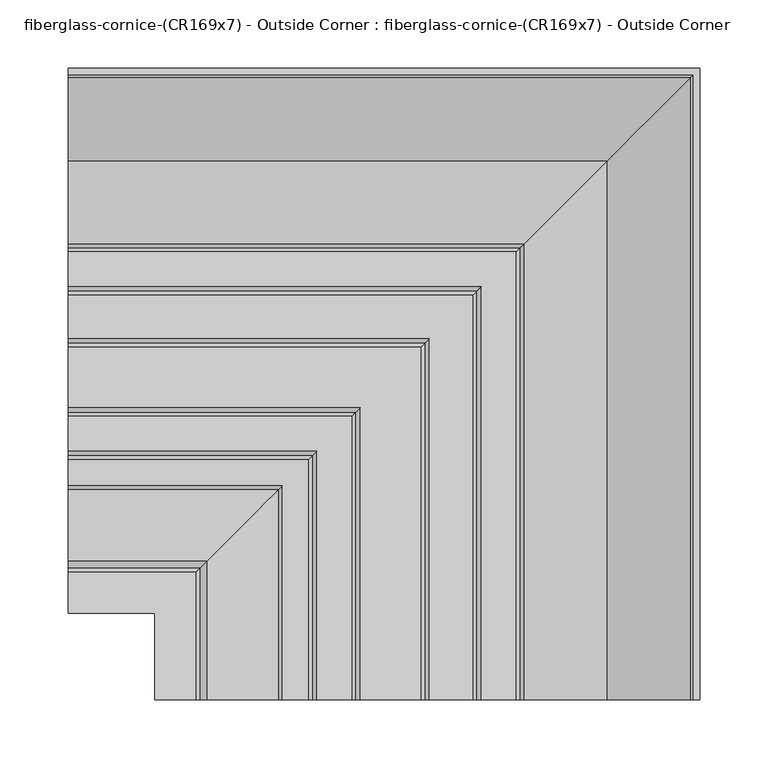
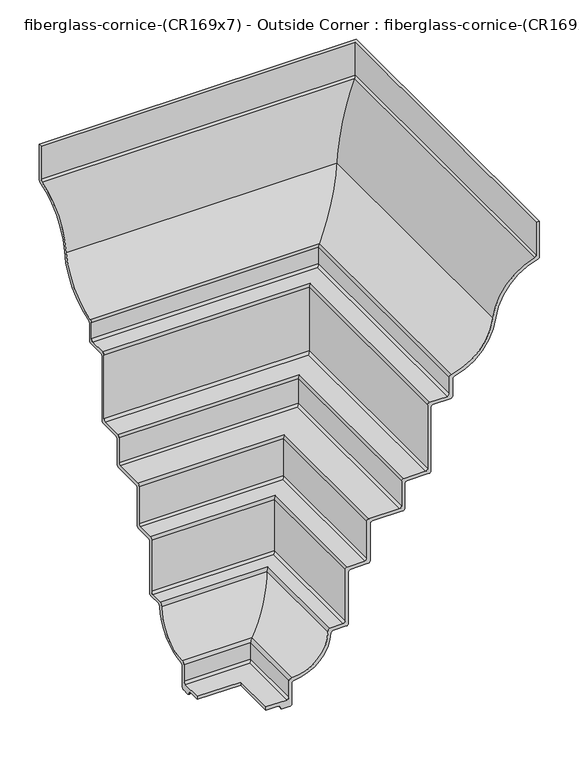
"""IFC4 building model written with IfcOpenShell, lengths in millimetres: furniture geometry, fiberglass-cornice-(CR169x7) - Outside Corner : fiberglass-cornice-(CR169x7) - Outside Corner."""

from ifc_helpers import new_model, si_unit, frame, origin, place, context, project, spatial, polyline, circle_curve, ellipse_curve, source, transform, mapped, element, save
from ifc_brep_helpers import plane_surface, cylinder_surface, revolved_surface, advanced_brep


def fiberglass_cornice_cr169x7_outside_corner_fiberglass_cornice_f5cb20c6(model_context):
    return source(origin(), model_context, "Body", "AdvancedBrep", [
        advanced_brep(
        [(-196.9488213, 496.8875, 330.1999904), (-196.9488213, 501.65, 330.1999904), (-196.9488213, 501.65, 275.5435529), (-196.9488213, 499.2726848, 272.470391), (-196.9488213, 438.15, 203.1999904), (-196.9488213, 377.0273152, 133.9295898), (-196.9488213, 374.65, 130.8564279), (-196.9488213, 374.65, 104.7749904), (-196.9488213, 371.475, 101.5999904), (-196.9488213, 346.075, 101.5999904), (-196.9488213, 342.9, 98.4249904), (-196.9488213, 342.9, -9.6e-06), (-196.9488213, 339.725, -3.1750096), (-196.9488213, 307.975, -3.1750096), (-196.9488213, 304.8, -6.3500096), (-196.9488213, 304.8, -44.4500096), (-196.9488213, 301.625, -47.6250096), (-196.9488213, 257.175, -47.6250096), (-196.9488213, 254.0, -50.8000096), (-196.9488213, 254.0, -107.9500096), (-196.9488213, 250.825, -111.1250096), (-196.9488213, 225.425, -111.1250096), (-196.9488213, 222.25, -114.3000096), (-196.9488213, 222.25, -193.6750096), (-196.9488213, 219.075, -196.8500096), (-196.9488213, 199.9413894, -196.8500096), (-196.9488213, 196.779135, -199.695155), (-196.9488213, 142.7078947, -253.9207996), (-196.9488213, 139.7, -256.9286943), (-196.9488213, 139.7, -288.9250096), (-196.9488213, 136.525, -292.1000096), (-196.9488213, 125.7872579, -292.1000096), (-196.9488213, 122.9474516, -290.3449127), (-196.9488213, 121.5275484, -287.5051064), (-196.9488213, 118.6877421, -285.7500096), (-196.9488213, 101.6, -285.7500096), (-196.9488213, 101.6, -280.9875096), (-196.9488213, 131.7625, -280.9875096), (-196.9488213, 134.9375, -277.8125096), (-196.9488213, 134.9375, -252.4125096), (-196.9488213, 139.7, -249.2375096), (-196.9488213, 192.0875, -196.8500096), (-196.9488213, 195.2625, -192.0875096), (-196.9488213, 214.3125, -192.0875096), (-196.9488213, 217.4875, -188.9125096), (-196.9488213, 217.4875, -109.5375096), (-196.9488213, 220.6625, -106.3625096), (-196.9488213, 246.0625, -106.3625096), (-196.9488213, 249.2375, -103.1875096), (-196.9488213, 249.2375, -46.0375096), (-196.9488213, 252.4125, -42.8625096), (-196.9488213, 296.8625, -42.8625096), (-196.9488213, 300.0375, -39.6875096), (-196.9488213, 300.0375, -1.5875096), (-196.9488213, 303.2125, 1.5874904), (-196.9488213, 334.9625, 1.5874904), (-196.9488213, 338.1375, 4.7624904), (-196.9488213, 338.1375, 103.1874904), (-196.9488213, 341.3125, 106.3624904), (-196.9488213, 366.7125, 106.3624904), (-196.9488213, 369.8875, 109.5374904), (-196.9488213, 369.8875, 134.6262047), (-196.9488213, 372.4046573, 137.7323065), (-196.9488213, 433.4271641, 203.813364), (-196.9488213, 494.6353066, 276.1114119), (-196.9488213, 496.8875, 279.1493475), (261.9378974, 38.0007813, 330.1999904), (261.9378974, 38.0007813, 279.1493475), (259.685704, 38.0007813, 276.1114119), (198.4775615, 38.0007813, 203.813364), (137.4550547, 38.0007813, 137.7323065), (134.9378974, 38.0007813, 134.6262047), (134.9378974, 38.0007813, 109.5374904), (131.7628974, 38.0007813, 106.3624904), (106.3628974, 38.0007813, 106.3624904), (103.1878974, 38.0007813, 103.1874904), (103.1878974, 38.0007813, 4.7624904), (100.0128974, 38.0007813, 1.5874904), (68.2628974, 38.0007813, 1.5874904), (65.0878974, 38.0007813, -1.5875096), (65.0878974, 38.0007813, -39.6875096), (61.9128974, 38.0007813, -42.8625096), (17.4628974, 38.0007813, -42.8625096), (14.2878974, 38.0007813, -46.0375096), (14.2878974, 38.0007813, -103.1875096), (11.1128974, 38.0007813, -106.3625096), (-14.2871026, 38.0007813, -106.3625096), (-17.4621026, 38.0007813, -109.5375096), (-17.4621026, 38.0007813, -188.9125096), (-20.6371026, 38.0007813, -192.0875096), (-39.6871026, 38.0007813, -192.0875096), (-42.8621026, 38.0007813, -196.8500096), (-95.2496026, 38.0007813, -249.2375096), (-100.0121026, 38.0007813, -252.4125096), (-100.0121026, 38.0007813, -277.8125096), (-103.1871026, 38.0007813, -280.9875096), (-133.3496026, 38.0007813, -280.9875096), (-133.3496026, 38.0007813, -285.7500096), (-116.2618605, 38.0007813, -285.7500096), (-113.4220542, 38.0007813, -287.5051064), (-112.002151, 38.0007813, -290.3449127), (-109.1623447, 38.0007813, -292.1000096), (-98.4246026, 38.0007813, -292.1000096), (-95.2496026, 38.0007813, -288.9250096), (-95.2496026, 38.0007813, -256.9286943), (-92.2417079, 38.0007813, -253.9207996), (-38.1704676, 38.0007813, -199.695155), (-35.0082132, 38.0007813, -196.8500096), (-15.8746026, 38.0007813, -196.8500096), (-12.6996026, 38.0007813, -193.6750096), (-12.6996026, 38.0007813, -114.3000096), (-9.5246026, 38.0007813, -111.1250096), (15.8753974, 38.0007813, -111.1250096), (19.0503974, 38.0007813, -107.9500096), (19.0503974, 38.0007813, -50.8000096), (22.2253974, 38.0007813, -47.6250096), (66.6753974, 38.0007813, -47.6250096), (69.8503974, 38.0007813, -44.4500096), (69.8503974, 38.0007813, -6.3500096), (73.0253974, 38.0007813, -3.1750096), (104.7753974, 38.0007813, -3.1750096), (107.9503974, 38.0007813, -9.6e-06), (107.9503974, 38.0007813, 98.4249904), (111.1253974, 38.0007813, 101.5999904), (136.5253974, 38.0007813, 101.5999904), (139.7003974, 38.0007813, 104.7749904), (139.7003974, 38.0007813, 130.8564279), (142.0777126, 38.0007813, 133.9295898), (203.2003974, 38.0007813, 203.1999904), (264.3230822, 38.0007813, 272.470391), (266.7003974, 38.0007813, 275.5435529), (266.7003974, 38.0007813, 330.1999904), (261.9378974, 496.8875, 330.1999904), (266.7003974, 501.65, 330.1999904), (266.7003974, 501.65, 275.5435529), (264.3230822, 499.2726848, 272.470391), (203.2003974, 438.15, 203.1999904), (142.0777126, 377.0273152, 133.9295898), (139.7003974, 374.65, 130.8564279), (139.7003974, 374.65, 104.7749904), (136.5253974, 371.475, 101.5999904), (111.1253974, 346.075, 101.5999904), (107.9503974, 342.9, 98.4249904), (107.9503974, 342.9, -9.6e-06), (104.7753974, 339.725, -3.1750096), (73.0253974, 307.975, -3.1750096), (69.8503974, 304.8, -6.3500096), (69.8503974, 304.8, -44.4500096), (66.6753974, 301.625, -47.6250096), (22.2253974, 257.175, -47.6250096), (19.0503974, 254.0, -50.8000096), (19.0503974, 254.0, -107.9500096), (15.8753974, 250.825, -111.1250096), (-9.5246026, 225.425, -111.1250096), (-12.6996026, 222.25, -114.3000096), (-12.6996026, 222.25, -193.6750096), (-15.8746026, 219.075, -196.8500096), (-35.0082132, 199.9413894, -196.8500096), (-38.1704676, 196.779135, -199.695155), (-92.2417079, 142.7078947, -253.9207996), (-95.2496026, 139.7, -256.9286943), (-95.2496026, 139.7, -288.9250096), (-98.4246026, 136.525, -292.1000096), (-109.1623447, 125.7872579, -292.1000096), (-112.002151, 122.9474516, -290.3449127), (-113.4220542, 121.5275484, -287.5051064), (-116.2618605, 118.6877421, -285.7500096), (-133.3496026, 101.6, -285.7500096), (-133.3496026, 101.6, -280.9875096), (-103.1871026, 131.7625, -280.9875096), (-100.0121026, 134.9375, -277.8125096), (-100.0121026, 134.9375, -252.4125096), (-95.2496026, 139.7, -249.2375096), (-42.8621026, 192.0875, -196.8500096), (-39.6871026, 195.2625, -192.0875096), (-20.6371026, 214.3125, -192.0875096), (-17.4621026, 217.4875, -188.9125096), (-17.4621026, 217.4875, -109.5375096), (-14.2871026, 220.6625, -106.3625096), (11.1128974, 246.0625, -106.3625096), (14.2878974, 249.2375, -103.1875096), (14.2878974, 249.2375, -46.0375096), (17.4628974, 252.4125, -42.8625096), (61.9128974, 296.8625, -42.8625096), (65.0878974, 300.0375, -39.6875096), (65.0878974, 300.0375, -1.5875096), (68.2628974, 303.2125, 1.5874904), (100.0128974, 334.9625, 1.5874904), (103.1878974, 338.1375, 4.7624904), (103.1878974, 338.1375, 103.1874904), (106.3628974, 341.3125, 106.3624904), (131.7628974, 366.7125, 106.3624904), (134.9378974, 369.8875, 109.5374904), (134.9378974, 369.8875, 134.6262047), (137.4550547, 372.4046573, 137.7323065), (198.4775615, 433.4271641, 203.813364), (259.685704, 494.6353066, 276.1114119), (261.9378974, 496.8875, 279.1493475)],
        [
            (0, 1),
            (1, 2),
            (2, 3, circle_curve(frame((-196.9488213, 498.475, 275.5435529), z_axis=(-1.0, 0.0, 0.0), x_axis=(0.0, 1.0, 0.0)), 3.175)),
            (3, 4, circle_curve(frame((-196.9488213, 520.0124893, 192.568182), z_axis=(1.0, 0.0, 0.0), x_axis=(0.0, 1.0, 0.0)), 82.55)),
            (4, 5, circle_curve(frame((-196.9488213, 356.2875107, 213.8317989), z_axis=(-1.0, 0.0, 0.0), x_axis=(0.0, 1.0, 0.0)), 82.55)),
            (5, 6, circle_curve(frame((-196.9488213, 377.825, 130.8564279), z_axis=(1.0, 0.0, 0.0), x_axis=(0.0, 1.0, 0.0)), 3.175)),
            (6, 7),
            (7, 8, circle_curve(frame((-196.9488213, 371.475, 104.7749904), z_axis=(-1.0, 0.0, 0.0), x_axis=(0.0, 1.0, 0.0)), 3.175)),
            (8, 9),
            (9, 10, circle_curve(frame((-196.9488213, 346.075, 98.4249904), z_axis=(1.0, 0.0, 0.0), x_axis=(0.0, 1.0, 0.0)), 3.175)),
            (10, 11),
            (11, 12, circle_curve(frame((-196.9488213, 339.725, -9.6e-06), z_axis=(-1.0, 0.0, 0.0), x_axis=(0.0, 1.0, 0.0)), 3.175)),
            (12, 13),
            (13, 14, circle_curve(frame((-196.9488213, 307.975, -6.3500096), z_axis=(1.0, 0.0, 0.0), x_axis=(0.0, 1.0, 0.0)), 3.175)),
            (14, 15),
            (15, 16, circle_curve(frame((-196.9488213, 301.625, -44.4500096), z_axis=(-1.0, 0.0, 0.0), x_axis=(0.0, 1.0, 0.0)), 3.175)),
            (16, 17),
            (17, 18, circle_curve(frame((-196.9488213, 257.175, -50.8000096), z_axis=(1.0, 0.0, 0.0), x_axis=(0.0, 1.0, 0.0)), 3.175)),
            (18, 19),
            (19, 20, circle_curve(frame((-196.9488213, 250.825, -107.9500096), z_axis=(-1.0, 0.0, 0.0), x_axis=(0.0, 1.0, 0.0)), 3.175)),
            (20, 21),
            (21, 22, circle_curve(frame((-196.9488213, 225.425, -114.3000096), z_axis=(1.0, 0.0, 0.0), x_axis=(0.0, 1.0, 0.0)), 3.175)),
            (22, 23),
            (23, 24, circle_curve(frame((-196.9488213, 219.075, -193.6750096), z_axis=(-1.0, 0.0, 0.0), x_axis=(0.0, 1.0, 0.0)), 3.175)),
            (24, 25),
            (25, 26, circle_curve(frame((-196.9488213, 199.9413894, -200.0299359), z_axis=(1.0, 0.0, 0.0), x_axis=(0.0, 1.0, 0.0)), 3.1799263)),
            (26, 27, circle_curve(frame((-196.9488213, 139.7, -196.8500096), z_axis=(-1.0, 0.0, 0.0), x_axis=(0.0, 1.0, 0.0)), 57.15)),
            (27, 28, circle_curve(frame((-196.9488213, 142.7078947, -256.9286943), z_axis=(1.0, 0.0, 0.0), x_axis=(0.0, 1.0, 0.0)), 3.0078947)),
            (28, 29),
            (29, 30, circle_curve(frame((-196.9488213, 136.525, -288.9250096), z_axis=(-1.0, 0.0, 0.0), x_axis=(0.0, 1.0, 0.0)), 3.175)),
            (30, 31),
            (31, 32, circle_curve(frame((-196.9488213, 125.7872579, -288.9250096), z_axis=(-1.0, 0.0, 0.0), x_axis=(0.0, 1.0, 0.0)), 3.175)),
            (32, 33),
            (33, 34, circle_curve(frame((-196.9488213, 118.6877421, -288.9250096), z_axis=(1.0, 0.0, 0.0), x_axis=(0.0, 1.0, 0.0)), 3.175)),
            (34, 35),
            (35, 36),
            (36, 37),
            (37, 38, circle_curve(frame((-196.9488213, 131.7625, -277.8125096), z_axis=(1.0, 0.0, 0.0), x_axis=(0.0, 1.0, 0.0)), 3.175)),
            (38, 39),
            (39, 40, circle_curve(frame((-196.9488213, 139.7, -254.3968846), z_axis=(-1.0, 0.0, 0.0), x_axis=(0.0, 1.0, 0.0)), 5.159375)),
            (40, 41, circle_curve(frame((-196.9488213, 139.7, -196.8500096), z_axis=(1.0, 0.0, 0.0), x_axis=(0.0, 1.0, 0.0)), 52.3875)),
            (41, 42, circle_curve(frame((-196.9488213, 197.246875, -196.8500096), z_axis=(-1.0, 0.0, 0.0), x_axis=(0.0, 1.0, 0.0)), 5.159375)),
            (42, 43),
            (43, 44, circle_curve(frame((-196.9488213, 214.3125, -188.9125096), z_axis=(1.0, 0.0, 0.0), x_axis=(0.0, 1.0, 0.0)), 3.175)),
            (44, 45),
            (45, 46, circle_curve(frame((-196.9488213, 220.6625, -109.5375096), z_axis=(-1.0, 0.0, 0.0), x_axis=(0.0, 1.0, 0.0)), 3.175)),
            (46, 47),
            (47, 48, circle_curve(frame((-196.9488213, 246.0625, -103.1875096), z_axis=(1.0, 0.0, 0.0), x_axis=(0.0, 1.0, 0.0)), 3.175)),
            (48, 49),
            (49, 50, circle_curve(frame((-196.9488213, 252.4125, -46.0375096), z_axis=(-1.0, 0.0, 0.0), x_axis=(0.0, 1.0, 0.0)), 3.175)),
            (50, 51),
            (51, 52, circle_curve(frame((-196.9488213, 296.8625, -39.6875096), z_axis=(1.0, 0.0, 0.0), x_axis=(0.0, 1.0, 0.0)), 3.175)),
            (52, 53),
            (53, 54, circle_curve(frame((-196.9488213, 303.2125, -1.5875096), z_axis=(-1.0, 0.0, 0.0), x_axis=(0.0, 1.0, 0.0)), 3.175)),
            (54, 55),
            (55, 56, circle_curve(frame((-196.9488213, 334.9625, 4.7624904), z_axis=(1.0, 0.0, 0.0), x_axis=(0.0, 1.0, 0.0)), 3.175)),
            (56, 57),
            (57, 58, circle_curve(frame((-196.9488213, 341.3125, 103.1874904), z_axis=(-1.0, 0.0, 0.0), x_axis=(0.0, 1.0, 0.0)), 3.175)),
            (58, 59),
            (59, 60, circle_curve(frame((-196.9488213, 366.7125, 109.5374904), z_axis=(1.0, 0.0, 0.0), x_axis=(0.0, 1.0, 0.0)), 3.175)),
            (60, 61),
            (61, 62, circle_curve(frame((-196.9488213, 373.0625, 134.6262047), z_axis=(-1.0, 0.0, 0.0), x_axis=(0.0, 1.0, 0.0)), 3.175)),
            (62, 63, circle_curve(frame((-196.9488213, 356.2875107, 213.8317989), z_axis=(1.0, 0.0, 0.0), x_axis=(0.0, 1.0, 0.0)), 77.7875)),
            (63, 64, circle_curve(frame((-196.9488213, 520.0124893, 192.568182), z_axis=(-1.0, 0.0, 0.0), x_axis=(0.0, 1.0, 0.0)), 87.3125)),
            (64, 65, circle_curve(frame((-196.9488213, 493.7125, 279.1493475), z_axis=(1.0, 0.0, 0.0), x_axis=(0.0, 1.0, 0.0)), 3.175)),
            (65, 0),
            (66, 67),
            (67, 68, circle_curve(frame((258.7628974, 38.0007813, 279.1493475), z_axis=(0.0, 1.0, 0.0), x_axis=(1.0, 0.0, 0.0)), 3.175)),
            (68, 69, circle_curve(frame((285.0628867, 38.0007813, 192.568182), z_axis=(0.0, -1.0, 0.0), x_axis=(1.0, 0.0, 0.0)), 87.3125)),
            (69, 70, circle_curve(frame((121.3379081, 38.0007813, 213.8317989), z_axis=(0.0, 1.0, 0.0), x_axis=(1.0, 0.0, 0.0)), 77.7875)),
            (70, 71, circle_curve(frame((138.1128974, 38.0007813, 134.6262047), z_axis=(0.0, -1.0, 0.0), x_axis=(1.0, 0.0, 0.0)), 3.175)),
            (71, 72),
            (72, 73, circle_curve(frame((131.7628974, 38.0007813, 109.5374904), z_axis=(0.0, 1.0, 0.0), x_axis=(1.0, 0.0, 0.0)), 3.175)),
            (73, 74),
            (74, 75, circle_curve(frame((106.3628974, 38.0007813, 103.1874904), z_axis=(0.0, -1.0, 0.0), x_axis=(1.0, 0.0, 0.0)), 3.175)),
            (75, 76),
            (76, 77, circle_curve(frame((100.0128974, 38.0007813, 4.7624904), z_axis=(0.0, 1.0, 0.0), x_axis=(1.0, 0.0, 0.0)), 3.175)),
            (77, 78),
            (78, 79, circle_curve(frame((68.2628974, 38.0007813, -1.5875096), z_axis=(0.0, -1.0, 0.0), x_axis=(1.0, 0.0, 0.0)), 3.175)),
            (79, 80),
            (80, 81, circle_curve(frame((61.9128974, 38.0007813, -39.6875096), z_axis=(0.0, 1.0, 0.0), x_axis=(1.0, 0.0, 0.0)), 3.175)),
            (81, 82),
            (82, 83, circle_curve(frame((17.4628974, 38.0007813, -46.0375096), z_axis=(0.0, -1.0, 0.0), x_axis=(1.0, 0.0, 0.0)), 3.175)),
            (83, 84),
            (84, 85, circle_curve(frame((11.1128974, 38.0007813, -103.1875096), z_axis=(0.0, 1.0, 0.0), x_axis=(1.0, 0.0, 0.0)), 3.175)),
            (85, 86),
            (86, 87, circle_curve(frame((-14.2871026, 38.0007813, -109.5375096), z_axis=(0.0, -1.0, 0.0), x_axis=(1.0, 0.0, 0.0)), 3.175)),
            (87, 88),
            (88, 89, circle_curve(frame((-20.6371026, 38.0007813, -188.9125096), z_axis=(0.0, 1.0, 0.0), x_axis=(1.0, 0.0, 0.0)), 3.175)),
            (89, 90),
            (90, 91, circle_curve(frame((-37.7027276, 38.0007813, -196.8500096), z_axis=(0.0, -1.0, 0.0), x_axis=(1.0, 0.0, 0.0)), 5.159375)),
            (91, 92, circle_curve(frame((-95.2496026, 38.0007813, -196.8500096), z_axis=(0.0, 1.0, 0.0), x_axis=(1.0, 0.0, 0.0)), 52.3875)),
            (92, 93, circle_curve(frame((-95.2496026, 38.0007813, -254.3968846), z_axis=(0.0, -1.0, 0.0), x_axis=(1.0, 0.0, 0.0)), 5.159375)),
            (93, 94),
            (94, 95, circle_curve(frame((-103.1871026, 38.0007813, -277.8125096), z_axis=(0.0, 1.0, 0.0), x_axis=(1.0, 0.0, 0.0)), 3.175)),
            (95, 96),
            (96, 97),
            (97, 98),
            (98, 99, circle_curve(frame((-116.2618605, 38.0007813, -288.9250096), z_axis=(0.0, 1.0, 0.0), x_axis=(1.0, 0.0, 0.0)), 3.175)),
            (99, 100),
            (100, 101, circle_curve(frame((-109.1623447, 38.0007813, -288.9250096), z_axis=(0.0, -1.0, 0.0), x_axis=(1.0, 0.0, 0.0)), 3.175)),
            (101, 102),
            (102, 103, circle_curve(frame((-98.4246026, 38.0007813, -288.9250096), z_axis=(0.0, -1.0, 0.0), x_axis=(1.0, 0.0, 0.0)), 3.175)),
            (103, 104),
            (104, 105, circle_curve(frame((-92.2417079, 38.0007813, -256.9286943), z_axis=(0.0, 1.0, 0.0), x_axis=(1.0, 0.0, 0.0)), 3.0078947)),
            (105, 106, circle_curve(frame((-95.2496026, 38.0007813, -196.8500096), z_axis=(0.0, -1.0, 0.0), x_axis=(1.0, 0.0, 0.0)), 57.15)),
            (106, 107, circle_curve(frame((-35.0082132, 38.0007813, -200.0299359), z_axis=(0.0, 1.0, 0.0), x_axis=(1.0, 0.0, 0.0)), 3.1799263)),
            (107, 108),
            (108, 109, circle_curve(frame((-15.8746026, 38.0007813, -193.6750096), z_axis=(0.0, -1.0, 0.0), x_axis=(1.0, 0.0, 0.0)), 3.175)),
            (109, 110),
            (110, 111, circle_curve(frame((-9.5246026, 38.0007813, -114.3000096), z_axis=(0.0, 1.0, 0.0), x_axis=(1.0, 0.0, 0.0)), 3.175)),
            (111, 112),
            (112, 113, circle_curve(frame((15.8753974, 38.0007813, -107.9500096), z_axis=(0.0, -1.0, 0.0), x_axis=(1.0, 0.0, 0.0)), 3.175)),
            (113, 114),
            (114, 115, circle_curve(frame((22.2253974, 38.0007813, -50.8000096), z_axis=(0.0, 1.0, 0.0), x_axis=(1.0, 0.0, 0.0)), 3.175)),
            (115, 116),
            (116, 117, circle_curve(frame((66.6753974, 38.0007813, -44.4500096), z_axis=(0.0, -1.0, 0.0), x_axis=(1.0, 0.0, 0.0)), 3.175)),
            (117, 118),
            (118, 119, circle_curve(frame((73.0253974, 38.0007813, -6.3500096), z_axis=(0.0, 1.0, 0.0), x_axis=(1.0, 0.0, 0.0)), 3.175)),
            (119, 120),
            (120, 121, circle_curve(frame((104.7753974, 38.0007813, -9.6e-06), z_axis=(0.0, -1.0, 0.0), x_axis=(1.0, 0.0, 0.0)), 3.175)),
            (121, 122),
            (122, 123, circle_curve(frame((111.1253974, 38.0007813, 98.4249904), z_axis=(0.0, 1.0, 0.0), x_axis=(1.0, 0.0, 0.0)), 3.175)),
            (123, 124),
            (124, 125, circle_curve(frame((136.5253974, 38.0007813, 104.7749904), z_axis=(0.0, -1.0, 0.0), x_axis=(1.0, 0.0, 0.0)), 3.175)),
            (125, 126),
            (126, 127, circle_curve(frame((142.8753974, 38.0007813, 130.8564279), z_axis=(0.0, 1.0, 0.0), x_axis=(1.0, 0.0, 0.0)), 3.175)),
            (127, 128, circle_curve(frame((121.3379081, 38.0007813, 213.8317989), z_axis=(0.0, -1.0, 0.0), x_axis=(1.0, 0.0, 0.0)), 82.55)),
            (128, 129, circle_curve(frame((285.0628867, 38.0007813, 192.568182), z_axis=(0.0, 1.0, 0.0), x_axis=(1.0, 0.0, 0.0)), 82.55)),
            (129, 130, circle_curve(frame((263.5253974, 38.0007813, 275.5435529), z_axis=(0.0, -1.0, 0.0), x_axis=(1.0, 0.0, 0.0)), 3.175)),
            (130, 131),
            (131, 66),
            (0, 132),
            (132, 66),
            (131, 133),
            (133, 1),
            (133, 134),
            (134, 2),
            (134, 135, ellipse_curve(frame((263.5253974, 498.475, 275.5435529), z_axis=(-0.7071067811865563, 0.7071067811865387, 0.0), x_axis=(-0.7071067811865387, -0.7071067811865565, 0.0)), 4.4901281, 3.175)),
            (135, 3),
            (135, 136, ellipse_curve(frame((285.0628867, 520.0124893, 192.568182), z_axis=(0.7071067811865563, -0.7071067811865387, 0.0), x_axis=(0.7071067811865387, 0.7071067811865565, 0.0)), 116.7433296, 82.55)),
            (136, 4),
            (136, 137, ellipse_curve(frame((121.3379081, 356.2875107, 213.8317989), z_axis=(-0.7071067811865563, 0.7071067811865387, 0.0), x_axis=(-0.7071067811865387, -0.7071067811865565, 0.0)), 116.7433296, 82.55)),
            (137, 5),
            (137, 138, ellipse_curve(frame((142.8753974, 377.825, 130.8564279), z_axis=(0.7071067811865563, -0.7071067811865387, 0.0), x_axis=(0.7071067811865387, 0.7071067811865565, 0.0)), 4.4901281, 3.175)),
            (138, 6),
            (138, 139),
            (139, 7),
            (139, 140, ellipse_curve(frame((136.5253974, 371.475, 104.7749904), z_axis=(-0.7071067811865563, 0.7071067811865387, 0.0), x_axis=(-0.7071067811865387, -0.7071067811865565, 0.0)), 4.4901281, 3.175)),
            (140, 8),
            (140, 124),
            (123, 141),
            (141, 9),
            (141, 142, ellipse_curve(frame((111.1253974, 346.075, 98.4249904), z_axis=(0.7071067811865563, -0.7071067811865387, 0.0), x_axis=(0.7071067811865387, 0.7071067811865565, 0.0)), 4.4901281, 3.175)),
            (142, 10),
            (142, 143),
            (143, 11),
            (143, 144, ellipse_curve(frame((104.7753974, 339.725, -9.6e-06), z_axis=(-0.7071067811865563, 0.7071067811865387, 0.0), x_axis=(-0.7071067811865387, -0.7071067811865565, 0.0)), 4.4901281, 3.175)),
            (144, 12),
            (144, 120),
            (119, 145),
            (145, 13),
            (145, 146, ellipse_curve(frame((73.0253974, 307.975, -6.3500096), z_axis=(0.7071067811865563, -0.7071067811865387, 0.0), x_axis=(0.7071067811865387, 0.7071067811865565, 0.0)), 4.4901281, 3.175)),
            (146, 14),
            (146, 147),
            (147, 15),
            (147, 148, ellipse_curve(frame((66.6753974, 301.625, -44.4500096), z_axis=(-0.7071067811865563, 0.7071067811865387, 0.0), x_axis=(-0.7071067811865387, -0.7071067811865565, 0.0)), 4.4901281, 3.175)),
            (148, 16),
            (148, 116),
            (115, 149),
            (149, 17),
            (149, 150, ellipse_curve(frame((22.2253974, 257.175, -50.8000096), z_axis=(0.7071067811865563, -0.7071067811865387, 0.0), x_axis=(0.7071067811865387, 0.7071067811865565, 0.0)), 4.4901281, 3.175)),
            (150, 18),
            (150, 151),
            (151, 19),
            (151, 152, ellipse_curve(frame((15.8753974, 250.825, -107.9500096), z_axis=(-0.7071067811865563, 0.7071067811865387, 0.0), x_axis=(-0.7071067811865387, -0.7071067811865565, 0.0)), 4.4901281, 3.175)),
            (152, 20),
            (152, 112),
            (111, 153),
            (153, 21),
            (153, 154, ellipse_curve(frame((-9.5246026, 225.425, -114.3000096), z_axis=(0.7071067811865563, -0.7071067811865387, 0.0), x_axis=(0.7071067811865387, 0.7071067811865565, 0.0)), 4.4901281, 3.175)),
            (154, 22),
            (154, 155),
            (155, 23),
            (155, 156, ellipse_curve(frame((-15.8746026, 219.075, -193.6750096), z_axis=(-0.7071067811865563, 0.7071067811865387, 0.0), x_axis=(-0.7071067811865387, -0.7071067811865565, 0.0)), 4.4901281, 3.175)),
            (156, 24),
            (156, 108),
            (107, 157),
            (157, 25),
            (157, 158, ellipse_curve(frame((-35.0082132, 199.9413894, -200.0299359), z_axis=(0.7071067811865563, -0.7071067811865387, 0.0), x_axis=(0.7071067811865387, 0.7071067811865565, 0.0)), 4.497095, 3.1799263)),
            (158, 26),
            (158, 159, ellipse_curve(frame((-95.2496026, 139.7, -196.8500096), z_axis=(-0.7071067811865563, 0.7071067811865387, 0.0), x_axis=(-0.7071067811865387, -0.7071067811865565, 0.0)), 80.8223051, 57.15)),
            (159, 27),
            (159, 160, ellipse_curve(frame((-92.2417079, 142.7078947, -256.9286943), z_axis=(0.7071067811865563, -0.7071067811865387, 0.0), x_axis=(0.7071067811865387, 0.7071067811865565, 0.0)), 4.2538055, 3.0078947)),
            (160, 28),
            (160, 161),
            (161, 29),
            (161, 162, ellipse_curve(frame((-98.4246026, 136.525, -288.9250096), z_axis=(-0.7071067811865563, 0.7071067811865387, 0.0), x_axis=(-0.7071067811865387, -0.7071067811865565, 0.0)), 4.4901281, 3.175)),
            (162, 30),
            (162, 102),
            (101, 163),
            (163, 31),
            (163, 164, ellipse_curve(frame((-109.1623447, 125.7872579, -288.9250096), z_axis=(-0.7071067811865563, 0.7071067811865387, 0.0), x_axis=(-0.7071067811865387, -0.7071067811865565, 0.0)), 4.4901281, 3.175)),
            (164, 32),
            (164, 165),
            (165, 33),
            (165, 166, ellipse_curve(frame((-116.2618605, 118.6877421, -288.9250096), z_axis=(0.7071067811865563, -0.7071067811865387, 0.0), x_axis=(0.7071067811865387, 0.7071067811865565, 0.0)), 4.4901281, 3.175)),
            (166, 34),
            (166, 98),
            (97, 167),
            (167, 35),
            (167, 168),
            (168, 36),
            (168, 96),
            (95, 169),
            (169, 37),
            (169, 170, ellipse_curve(frame((-103.1871026, 131.7625, -277.8125096), z_axis=(0.7071067811865563, -0.7071067811865387, 0.0), x_axis=(0.7071067811865387, 0.7071067811865565, 0.0)), 4.4901281, 3.175)),
            (170, 38),
            (170, 171),
            (171, 39),
            (171, 172, ellipse_curve(frame((-95.2496026, 139.7, -254.3968846), z_axis=(-0.7071067811865563, 0.7071067811865387, 0.0), x_axis=(-0.7071067811865387, -0.7071067811865565, 0.0)), 7.2964581, 5.159375)),
            (172, 40),
            (172, 173, ellipse_curve(frame((-95.2496026, 139.7, -196.8500096), z_axis=(0.7071067811865563, -0.7071067811865387, 0.0), x_axis=(0.7071067811865387, 0.7071067811865565, 0.0)), 74.087113, 52.3875)),
            (173, 41),
            (173, 174, ellipse_curve(frame((-37.7027276, 197.246875, -196.8500096), z_axis=(-0.7071067811865563, 0.7071067811865387, 0.0), x_axis=(-0.7071067811865387, -0.7071067811865565, 0.0)), 7.2964581, 5.159375)),
            (174, 42),
            (174, 90),
            (89, 175),
            (175, 43),
            (175, 176, ellipse_curve(frame((-20.6371026, 214.3125, -188.9125096), z_axis=(0.7071067811865563, -0.7071067811865387, 0.0), x_axis=(0.7071067811865387, 0.7071067811865565, 0.0)), 4.4901281, 3.175)),
            (176, 44),
            (176, 177),
            (177, 45),
            (177, 178, ellipse_curve(frame((-14.2871026, 220.6625, -109.5375096), z_axis=(-0.7071067811865563, 0.7071067811865387, 0.0), x_axis=(-0.7071067811865387, -0.7071067811865565, 0.0)), 4.4901281, 3.175)),
            (178, 46),
            (178, 86),
            (85, 179),
            (179, 47),
            (179, 180, ellipse_curve(frame((11.1128974, 246.0625, -103.1875096), z_axis=(0.7071067811865563, -0.7071067811865387, 0.0), x_axis=(0.7071067811865387, 0.7071067811865565, 0.0)), 4.4901281, 3.175)),
            (180, 48),
            (180, 181),
            (181, 49),
            (181, 182, ellipse_curve(frame((17.4628974, 252.4125, -46.0375096), z_axis=(-0.7071067811865563, 0.7071067811865387, 0.0), x_axis=(-0.7071067811865387, -0.7071067811865565, 0.0)), 4.4901281, 3.175)),
            (182, 50),
            (182, 82),
            (81, 183),
            (183, 51),
            (183, 184, ellipse_curve(frame((61.9128974, 296.8625, -39.6875096), z_axis=(0.7071067811865563, -0.7071067811865387, 0.0), x_axis=(0.7071067811865387, 0.7071067811865565, 0.0)), 4.4901281, 3.175)),
            (184, 52),
            (184, 185),
            (185, 53),
            (185, 186, ellipse_curve(frame((68.2628974, 303.2125, -1.5875096), z_axis=(-0.7071067811865563, 0.7071067811865387, 0.0), x_axis=(-0.7071067811865387, -0.7071067811865565, 0.0)), 4.4901281, 3.175)),
            (186, 54),
            (186, 78),
            (77, 187),
            (187, 55),
            (187, 188, ellipse_curve(frame((100.0128974, 334.9625, 4.7624904), z_axis=(0.7071067811865563, -0.7071067811865387, 0.0), x_axis=(0.7071067811865387, 0.7071067811865565, 0.0)), 4.4901281, 3.175)),
            (188, 56),
            (188, 189),
            (189, 57),
            (189, 190, ellipse_curve(frame((106.3628974, 341.3125, 103.1874904), z_axis=(-0.7071067811865563, 0.7071067811865387, 0.0), x_axis=(-0.7071067811865387, -0.7071067811865565, 0.0)), 4.4901281, 3.175)),
            (190, 58),
            (190, 74),
            (73, 191),
            (191, 59),
            (191, 192, ellipse_curve(frame((131.7628974, 366.7125, 109.5374904), z_axis=(0.7071067811865563, -0.7071067811865387, 0.0), x_axis=(0.7071067811865387, 0.7071067811865565, 0.0)), 4.4901281, 3.175)),
            (192, 60),
            (192, 193),
            (193, 61),
            (193, 194, ellipse_curve(frame((138.1128974, 373.0625, 134.6262047), z_axis=(-0.7071067811865563, 0.7071067811865387, 0.0), x_axis=(-0.7071067811865387, -0.7071067811865565, 0.0)), 4.4901281, 3.175)),
            (194, 62),
            (194, 195, ellipse_curve(frame((121.3379081, 356.2875107, 213.8317989), z_axis=(0.7071067811865563, -0.7071067811865387, 0.0), x_axis=(0.7071067811865387, 0.7071067811865565, 0.0)), 110.0081375, 77.7875)),
            (195, 63),
            (195, 196, ellipse_curve(frame((285.0628867, 520.0124893, 192.568182), z_axis=(-0.7071067811865563, 0.7071067811865387, 0.0), x_axis=(-0.7071067811865387, -0.7071067811865565, 0.0)), 123.4785217, 87.3125)),
            (196, 64),
            (196, 197, ellipse_curve(frame((258.7628974, 493.7125, 279.1493475), z_axis=(0.7071067811865563, -0.7071067811865387, 0.0), x_axis=(0.7071067811865387, 0.7071067811865565, 0.0)), 4.4901281, 3.175)),
            (197, 65),
            (197, 132),
            (130, 134),
            (129, 135),
            (128, 136),
            (127, 137),
            (126, 138),
            (125, 139),
            (122, 142),
            (121, 143),
            (118, 146),
            (117, 147),
            (114, 150),
            (113, 151),
            (110, 154),
            (109, 155),
            (106, 158),
            (105, 159),
            (104, 160),
            (103, 161),
            (100, 164),
            (99, 165),
            (94, 170),
            (93, 171),
            (92, 172),
            (91, 173),
            (88, 176),
            (87, 177),
            (84, 180),
            (83, 181),
            (80, 184),
            (79, 185),
            (76, 188),
            (75, 189),
            (72, 192),
            (71, 193),
            (70, 194),
            (69, 195),
            (68, 196),
            (67, 197),
        ],
        [
            plane_surface(frame((-196.9488213, 101.6, 330.1999904), z_axis=(-1.0, 0.0, 0.0), x_axis=(0.0, 0.0, 1.0))),
            plane_surface(frame((-133.3496026, 38.0007813, 330.1999904), z_axis=(0.0, -1.0, 0.0), x_axis=(0.0, 0.0, 1.0))),
            plane_surface(frame((-196.9488213, 496.8875, 330.1999904), z_axis=(0.0, 0.0, 1.0), x_axis=(1.0, 0.0, 0.0))),
            plane_surface(frame((-196.9488213, 501.65, 330.1999904), z_axis=(0.0, 1.0, 0.0), x_axis=(1.0, 0.0, 0.0))),
            cylinder_surface(frame((-196.9488213, 498.475, 275.5435529), z_axis=(-1.0, 0.0, 0.0), x_axis=(0.0, 1.0, 0.0)), 3.175),
            revolved_surface(polyline([(367.61288671845523, 602.5624892999999, 192.568182), (-196.9488213, 602.5624892999999, 192.568182)]), (-196.9488213, 520.0124893, 192.568182), (1.0, 0.0, 0.0)),
            cylinder_surface(frame((-196.9488213, 356.2875107, 213.8317989), z_axis=(-1.0, 0.0, 0.0), x_axis=(0.0, 1.0, 0.0)), 82.55),
            revolved_surface(polyline([(146.05039742790618, 381.0, 130.8564279), (-196.9488213, 381.0, 130.8564279)]), (-196.9488213, 377.825, 130.8564279), (1.0, 0.0, 0.0)),
            plane_surface(frame((-196.9488213, 374.65, 130.8564279), z_axis=(0.0, 1.0, 0.0), x_axis=(1.0, 0.0, 0.0))),
            cylinder_surface(frame((-196.9488213, 371.475, 104.7749904), z_axis=(-1.0, 0.0, 0.0), x_axis=(0.0, 1.0, 0.0)), 3.175),
            plane_surface(frame((-196.9488213, 371.475, 101.5999904), z_axis=(0.0, 0.0, -1.0), x_axis=(1.0, 0.0, 0.0))),
            revolved_surface(polyline([(114.30039742790618, 349.25, 98.4249904), (-196.9488213, 349.25, 98.4249904)]), (-196.9488213, 346.075, 98.4249904), (1.0, 0.0, 0.0)),
            plane_surface(frame((-196.9488213, 342.9, 98.4249904), z_axis=(0.0, 1.0, 0.0), x_axis=(1.0, 0.0, 0.0))),
            cylinder_surface(frame((-196.9488213, 339.725, -9.6e-06), z_axis=(-1.0, 0.0, 0.0), x_axis=(0.0, 1.0, 0.0)), 3.175),
            plane_surface(frame((-196.9488213, 339.725, -3.1750096), z_axis=(0.0, 0.0, -1.0), x_axis=(1.0, 0.0, 0.0))),
            revolved_surface(polyline([(76.20039742790621, 311.15000000000003, -6.3500096), (-196.9488213, 311.15000000000003, -6.3500096)]), (-196.9488213, 307.975, -6.3500096), (1.0, 0.0, 0.0)),
            plane_surface(frame((-196.9488213, 304.8, -6.3500096), z_axis=(0.0, 1.0, 0.0), x_axis=(1.0, 0.0, 0.0))),
            cylinder_surface(frame((-196.9488213, 301.625, -44.4500096), z_axis=(-1.0, 0.0, 0.0), x_axis=(0.0, 1.0, 0.0)), 3.175),
            plane_surface(frame((-196.9488213, 301.625, -47.6250096), z_axis=(0.0, 0.0, -1.0), x_axis=(1.0, 0.0, 0.0))),
            revolved_surface(polyline([(25.400397427906228, 260.35, -50.8000096), (-196.9488213, 260.35, -50.8000096)]), (-196.9488213, 257.175, -50.8000096), (1.0, 0.0, 0.0)),
            plane_surface(frame((-196.9488213, 254.0, -50.8000096), z_axis=(0.0, 1.0, 0.0), x_axis=(1.0, 0.0, 0.0))),
            cylinder_surface(frame((-196.9488213, 250.825, -107.9500096), z_axis=(-1.0, 0.0, 0.0), x_axis=(0.0, 1.0, 0.0)), 3.175),
            plane_surface(frame((-196.9488213, 250.825, -111.1250096), z_axis=(0.0, 0.0, -1.0), x_axis=(1.0, 0.0, 0.0))),
            revolved_surface(polyline([(-6.349602572093772, 228.60000000000002, -114.3000096), (-196.9488213, 228.60000000000002, -114.3000096)]), (-196.9488213, 225.425, -114.3000096), (1.0, 0.0, 0.0)),
            plane_surface(frame((-196.9488213, 222.25, -114.3000096), z_axis=(0.0, 1.0, 0.0), x_axis=(1.0, 0.0, 0.0))),
            cylinder_surface(frame((-196.9488213, 219.075, -193.6750096), z_axis=(-1.0, 0.0, 0.0), x_axis=(0.0, 1.0, 0.0)), 3.175),
            plane_surface(frame((-196.9488213, 219.075, -196.8500096), z_axis=(0.0, 0.0, -1.0), x_axis=(1.0, 0.0, 0.0))),
            revolved_surface(polyline([(-31.828286829859934, 203.1213157, -200.0299359), (-196.9488213, 203.1213157, -200.0299359)]), (-196.9488213, 199.9413894, -200.0299359), (1.0, 0.0, 0.0)),
            cylinder_surface(frame((-196.9488213, 139.7, -196.8500096), z_axis=(-1.0, 0.0, 0.0), x_axis=(0.0, 1.0, 0.0)), 57.15),
            revolved_surface(polyline([(-89.2338131851014, 145.7157894, -256.9286943), (-196.9488213, 145.7157894, -256.9286943)]), (-196.9488213, 142.7078947, -256.9286943), (1.0, 0.0, 0.0)),
            plane_surface(frame((-196.9488213, 139.7, -256.9286943), z_axis=(0.0, 1.0, 0.0), x_axis=(1.0, 0.0, 0.0))),
            cylinder_surface(frame((-196.9488213, 136.525, -288.9250096), z_axis=(-1.0, 0.0, 0.0), x_axis=(0.0, 1.0, 0.0)), 3.175),
            plane_surface(frame((-196.9488213, 136.525, -292.1000096), z_axis=(0.0, 0.0, -1.0), x_axis=(1.0, 0.0, 0.0))),
            cylinder_surface(frame((-196.9488213, 125.7872579, -288.9250096), z_axis=(-1.0, 0.0, 0.0), x_axis=(0.0, 1.0, 0.0)), 3.175),
            plane_surface(frame((-196.9488213, 122.9474516, -290.3449127), z_axis=(0.0, -0.8944271909968123, -0.44721359550616524), x_axis=(1.0, 0.0, 0.0))),
            revolved_surface(polyline([(-113.08686047209378, 121.86274209999999, -288.9250096), (-196.9488213, 121.86274209999999, -288.9250096)]), (-196.9488213, 118.6877421, -288.9250096), (1.0, 0.0, 0.0)),
            plane_surface(frame((-196.9488213, 118.6877421, -285.7500096), z_axis=(0.0, 0.0, -1.0), x_axis=(1.0, 0.0, 0.0))),
            plane_surface(frame((-196.9488213, 101.6, -285.7500096), z_axis=(0.0, -1.0, 0.0), x_axis=(1.0, 0.0, 0.0))),
            plane_surface(frame((-196.9488213, 101.6, -280.9875096), z_axis=(0.0, 0.0, 1.0), x_axis=(1.0, 0.0, 0.0))),
            revolved_surface(polyline([(-100.01210257209378, 134.9375, -277.8125096), (-196.9488213, 134.9375, -277.8125096)]), (-196.9488213, 131.7625, -277.8125096), (1.0, 0.0, 0.0)),
            plane_surface(frame((-196.9488213, 134.9375, -277.8125096), z_axis=(0.0, -1.0, 0.0), x_axis=(1.0, 0.0, 0.0))),
            cylinder_surface(frame((-196.9488213, 139.7, -254.3968846), z_axis=(-1.0, 0.0, 0.0), x_axis=(0.0, 1.0, 0.0)), 5.159375),
            revolved_surface(polyline([(-42.86210259916663, 192.08749999999998, -196.8500096), (-196.9488213, 192.08749999999998, -196.8500096)]), (-196.9488213, 139.7, -196.8500096), (1.0, 0.0, 0.0)),
            cylinder_surface(frame((-196.9488213, 197.246875, -196.8500096), z_axis=(-1.0, 0.0, 0.0), x_axis=(0.0, 1.0, 0.0)), 5.159375),
            plane_surface(frame((-196.9488213, 195.2625, -192.0875096), z_axis=(0.0, 0.0, 1.0), x_axis=(1.0, 0.0, 0.0))),
            revolved_surface(polyline([(-17.462102572093755, 217.4875, -188.9125096), (-196.9488213, 217.4875, -188.9125096)]), (-196.9488213, 214.3125, -188.9125096), (1.0, 0.0, 0.0)),
            plane_surface(frame((-196.9488213, 217.4875, -188.9125096), z_axis=(0.0, -1.0, 0.0), x_axis=(1.0, 0.0, 0.0))),
            cylinder_surface(frame((-196.9488213, 220.6625, -109.5375096), z_axis=(-1.0, 0.0, 0.0), x_axis=(0.0, 1.0, 0.0)), 3.175),
            plane_surface(frame((-196.9488213, 220.6625, -106.3625096), z_axis=(0.0, 0.0, 1.0), x_axis=(1.0, 0.0, 0.0))),
            revolved_surface(polyline([(14.287897427906245, 249.2375, -103.1875096), (-196.9488213, 249.2375, -103.1875096)]), (-196.9488213, 246.0625, -103.1875096), (1.0, 0.0, 0.0)),
            plane_surface(frame((-196.9488213, 249.2375, -103.1875096), z_axis=(0.0, -1.0, 0.0), x_axis=(1.0, 0.0, 0.0))),
            cylinder_surface(frame((-196.9488213, 252.4125, -46.0375096), z_axis=(-1.0, 0.0, 0.0), x_axis=(0.0, 1.0, 0.0)), 3.175),
            plane_surface(frame((-196.9488213, 252.4125, -42.8625096), z_axis=(0.0, 0.0, 1.0), x_axis=(1.0, 0.0, 0.0))),
            revolved_surface(polyline([(65.0878974279062, 300.0375, -39.6875096), (-196.9488213, 300.0375, -39.6875096)]), (-196.9488213, 296.8625, -39.6875096), (1.0, 0.0, 0.0)),
            plane_surface(frame((-196.9488213, 300.0375, -39.6875096), z_axis=(0.0, -1.0, 0.0), x_axis=(1.0, 0.0, 0.0))),
            cylinder_surface(frame((-196.9488213, 303.2125, -1.5875096), z_axis=(-1.0, 0.0, 0.0), x_axis=(0.0, 1.0, 0.0)), 3.175),
            plane_surface(frame((-196.9488213, 303.2125, 1.5874904), z_axis=(0.0, 0.0, 1.0), x_axis=(1.0, 0.0, 0.0))),
            revolved_surface(polyline([(103.18789742790622, 338.1375, 4.7624904), (-196.9488213, 338.1375, 4.7624904)]), (-196.9488213, 334.9625, 4.7624904), (1.0, 0.0, 0.0)),
            plane_surface(frame((-196.9488213, 338.1375, 4.7624904), z_axis=(0.0, -1.0, 0.0), x_axis=(1.0, 0.0, 0.0))),
            cylinder_surface(frame((-196.9488213, 341.3125, 103.1874904), z_axis=(-1.0, 0.0, 0.0), x_axis=(0.0, 1.0, 0.0)), 3.175),
            plane_surface(frame((-196.9488213, 341.3125, 106.3624904), z_axis=(0.0, 0.0, 1.0), x_axis=(1.0, 0.0, 0.0))),
            revolved_surface(polyline([(134.93789742790622, 369.8875, 109.5374904), (-196.9488213, 369.8875, 109.5374904)]), (-196.9488213, 366.7125, 109.5374904), (1.0, 0.0, 0.0)),
            plane_surface(frame((-196.9488213, 369.8875, 109.5374904), z_axis=(0.0, -1.0, 0.0), x_axis=(1.0, 0.0, 0.0))),
            cylinder_surface(frame((-196.9488213, 373.0625, 134.6262047), z_axis=(-1.0, 0.0, 0.0), x_axis=(0.0, 1.0, 0.0)), 3.175),
            revolved_surface(polyline([(199.1254081119512, 434.0750107, 213.8317989), (-196.9488213, 434.0750107, 213.8317989)]), (-196.9488213, 356.2875107, 213.8317989), (1.0, 0.0, 0.0)),
            cylinder_surface(frame((-196.9488213, 520.0124893, 192.568182), z_axis=(-1.0, 0.0, 0.0), x_axis=(0.0, 1.0, 0.0)), 87.3125),
            revolved_surface(polyline([(261.93789742790625, 496.8875, 279.1493475), (-196.9488213, 496.8875, 279.1493475)]), (-196.9488213, 493.7125, 279.1493475), (1.0, 0.0, 0.0)),
            plane_surface(frame((-196.9488213, 496.8875, 279.1493475), z_axis=(0.0, -1.0, 0.0), x_axis=(1.0, 0.0, 0.0))),
            plane_surface(frame((266.7003974, 501.65, 330.1999904), z_axis=(1.0, 0.0, 0.0), x_axis=(0.0, -1.0, 0.0))),
            cylinder_surface(frame((263.5253974, 101.6, 275.5435529), z_axis=(0.0, 1.0, 0.0), x_axis=(1.0, 0.0, 0.0)), 3.175),
            revolved_surface(polyline([(367.6128867, 38.0007813, 192.568182), (367.6128867, 602.5624893184572, 192.568182)]), (285.0628867, 101.6, 192.568182), (0.0, -1.0, 0.0)),
            cylinder_surface(frame((121.3379081, 101.6, 213.8317989), z_axis=(0.0, 1.0, 0.0), x_axis=(1.0, 0.0, 0.0)), 82.55),
            revolved_surface(polyline([(146.0503974, 38.0007813, 130.8564279), (146.0503974, 381.00000002790637, 130.8564279)]), (142.8753974, 101.6, 130.8564279), (0.0, -1.0, 0.0)),
            plane_surface(frame((139.7003974, 374.65, 130.8564279), z_axis=(1.0, 0.0, 0.0), x_axis=(0.0, -1.0, 0.0))),
            cylinder_surface(frame((136.5253974, 101.6, 104.7749904), z_axis=(0.0, 1.0, 0.0), x_axis=(1.0, 0.0, 0.0)), 3.175),
            revolved_surface(polyline([(114.3003974, 38.0007813, 98.4249904), (114.3003974, 349.2500000279063, 98.4249904)]), (111.1253974, 101.6, 98.4249904), (0.0, -1.0, 0.0)),
            plane_surface(frame((107.9503974, 342.9, 98.4249904), z_axis=(1.0, 0.0, 0.0), x_axis=(0.0, -1.0, 0.0))),
            cylinder_surface(frame((104.7753974, 101.6, -9.6e-06), z_axis=(0.0, 1.0, 0.0), x_axis=(1.0, 0.0, 0.0)), 3.175),
            revolved_surface(polyline([(76.2003974, 38.0007813, -6.3500096), (76.2003974, 311.15000002790634, -6.3500096)]), (73.0253974, 101.6, -6.3500096), (0.0, -1.0, 0.0)),
            plane_surface(frame((69.8503974, 304.8, -6.3500096), z_axis=(1.0, 0.0, 0.0), x_axis=(0.0, -1.0, 0.0))),
            cylinder_surface(frame((66.6753974, 101.6, -44.4500096), z_axis=(0.0, 1.0, 0.0), x_axis=(1.0, 0.0, 0.0)), 3.175),
            revolved_surface(polyline([(25.4003974, 38.0007813, -50.8000096), (25.4003974, 260.35000002790633, -50.8000096)]), (22.2253974, 101.6, -50.8000096), (0.0, -1.0, 0.0)),
            plane_surface(frame((19.0503974, 254.0, -50.8000096), z_axis=(1.0, 0.0, 0.0), x_axis=(0.0, -1.0, 0.0))),
            cylinder_surface(frame((15.8753974, 101.6, -107.9500096), z_axis=(0.0, 1.0, 0.0), x_axis=(1.0, 0.0, 0.0)), 3.175),
            revolved_surface(polyline([(-6.3496026, 38.0007813, -114.3000096), (-6.3496026, 228.60000002790633, -114.3000096)]), (-9.5246026, 101.6, -114.3000096), (0.0, -1.0, 0.0)),
            plane_surface(frame((-12.6996026, 222.25, -114.3000096), z_axis=(1.0, 0.0, 0.0), x_axis=(0.0, -1.0, 0.0))),
            cylinder_surface(frame((-15.8746026, 101.6, -193.6750096), z_axis=(0.0, 1.0, 0.0), x_axis=(1.0, 0.0, 0.0)), 3.175),
            revolved_surface(polyline([(-31.828286900000002, 38.0007813, -200.0299359), (-31.828286900000002, 203.12131577014014, -200.0299359)]), (-35.0082132, 101.6, -200.0299359), (0.0, -1.0, 0.0)),
            cylinder_surface(frame((-95.2496026, 101.6, -196.8500096), z_axis=(0.0, 1.0, 0.0), x_axis=(1.0, 0.0, 0.0)), 57.15),
            revolved_surface(polyline([(-89.2338132, 38.0007813, -256.9286943), (-89.2338132, 145.71578941489867, -256.9286943)]), (-92.2417079, 101.6, -256.9286943), (0.0, -1.0, 0.0)),
            plane_surface(frame((-95.2496026, 139.7, -256.9286943), z_axis=(1.0, 0.0, 0.0), x_axis=(0.0, -1.0, 0.0))),
            cylinder_surface(frame((-98.4246026, 101.6, -288.9250096), z_axis=(0.0, 1.0, 0.0), x_axis=(1.0, 0.0, 0.0)), 3.175),
            cylinder_surface(frame((-109.1623447, 101.6, -288.9250096), z_axis=(0.0, 1.0, 0.0), x_axis=(1.0, 0.0, 0.0)), 3.175),
            plane_surface(frame((-112.002151, 122.9474516, -290.3449127), z_axis=(-0.8944271909968123, 0.0, -0.4472135955061652), x_axis=(0.0, -1.0, 0.0))),
            revolved_surface(polyline([(-113.0868605, 38.0007813, -288.9250096), (-113.0868605, 121.8627421279063, -288.9250096)]), (-116.2618605, 101.6, -288.9250096), (0.0, -1.0, 0.0)),
            plane_surface(frame((-133.3496026, 101.6, -285.7500096), z_axis=(-1.0, 0.0, 0.0), x_axis=(0.0, -1.0, 0.0))),
            revolved_surface(polyline([(-100.0121026, 38.0007813, -277.8125096), (-100.0121026, 134.9375000279063, -277.8125096)]), (-103.1871026, 101.6, -277.8125096), (0.0, -1.0, 0.0)),
            plane_surface(frame((-100.0121026, 134.9375, -277.8125096), z_axis=(-1.0, 0.0, 0.0), x_axis=(0.0, -1.0, 0.0))),
            cylinder_surface(frame((-95.2496026, 101.6, -254.3968846), z_axis=(0.0, 1.0, 0.0), x_axis=(1.0, 0.0, 0.0)), 5.159375),
            revolved_surface(polyline([(-42.8621026, 38.0007813, -196.8500096), (-42.8621026, 192.08750000083467, -196.8500096)]), (-95.2496026, 101.6, -196.8500096), (0.0, -1.0, 0.0)),
            cylinder_surface(frame((-37.7027276, 101.6, -196.8500096), z_axis=(0.0, 1.0, 0.0), x_axis=(1.0, 0.0, 0.0)), 5.159375),
            revolved_surface(polyline([(-17.462102599999998, 38.0007813, -188.9125096), (-17.462102599999998, 217.48750002790632, -188.9125096)]), (-20.6371026, 101.6, -188.9125096), (0.0, -1.0, 0.0)),
            plane_surface(frame((-17.4621026, 217.4875, -188.9125096), z_axis=(-1.0, 0.0, 0.0), x_axis=(0.0, -1.0, 0.0))),
            cylinder_surface(frame((-14.2871026, 101.6, -109.5375096), z_axis=(0.0, 1.0, 0.0), x_axis=(1.0, 0.0, 0.0)), 3.175),
            revolved_surface(polyline([(14.287897399999999, 38.0007813, -103.1875096), (14.287897399999999, 249.23750002790632, -103.1875096)]), (11.1128974, 101.6, -103.1875096), (0.0, -1.0, 0.0)),
            plane_surface(frame((14.2878974, 249.2375, -103.1875096), z_axis=(-1.0, 0.0, 0.0), x_axis=(0.0, -1.0, 0.0))),
            cylinder_surface(frame((17.4628974, 101.6, -46.0375096), z_axis=(0.0, 1.0, 0.0), x_axis=(1.0, 0.0, 0.0)), 3.175),
            revolved_surface(polyline([(65.0878974, 38.0007813, -39.6875096), (65.0878974, 300.03750002790633, -39.6875096)]), (61.9128974, 101.6, -39.6875096), (0.0, -1.0, 0.0)),
            plane_surface(frame((65.0878974, 300.0375, -39.6875096), z_axis=(-1.0, 0.0, 0.0), x_axis=(0.0, -1.0, 0.0))),
            cylinder_surface(frame((68.2628974, 101.6, -1.5875096), z_axis=(0.0, 1.0, 0.0), x_axis=(1.0, 0.0, 0.0)), 3.175),
            revolved_surface(polyline([(103.1878974, 38.0007813, 4.7624904), (103.1878974, 338.1375000279063, 4.7624904)]), (100.0128974, 101.6, 4.7624904), (0.0, -1.0, 0.0)),
            plane_surface(frame((103.1878974, 338.1375, 4.7624904), z_axis=(-1.0, 0.0, 0.0), x_axis=(0.0, -1.0, 0.0))),
            cylinder_surface(frame((106.3628974, 101.6, 103.1874904), z_axis=(0.0, 1.0, 0.0), x_axis=(1.0, 0.0, 0.0)), 3.175),
            revolved_surface(polyline([(134.93789740000003, 38.0007813, 109.5374904), (134.93789740000003, 369.8875000279063, 109.5374904)]), (131.7628974, 101.6, 109.5374904), (0.0, -1.0, 0.0)),
            plane_surface(frame((134.9378974, 369.8875, 109.5374904), z_axis=(-1.0, 0.0, 0.0), x_axis=(0.0, -1.0, 0.0))),
            cylinder_surface(frame((138.1128974, 101.6, 134.6262047), z_axis=(0.0, 1.0, 0.0), x_axis=(1.0, 0.0, 0.0)), 3.175),
            revolved_surface(polyline([(199.12540810000002, 38.0007813, 213.8317989), (199.12540810000002, 434.07501071195315, 213.8317989)]), (121.3379081, 101.6, 213.8317989), (0.0, -1.0, 0.0)),
            cylinder_surface(frame((285.0628867, 101.6, 192.568182), z_axis=(0.0, 1.0, 0.0), x_axis=(1.0, 0.0, 0.0)), 87.3125),
            revolved_surface(polyline([(261.9378974, 38.0007813, 279.1493475), (261.9378974, 496.8875000279063, 279.1493475)]), (258.7628974, 101.6, 279.1493475), (0.0, -1.0, 0.0)),
            plane_surface(frame((261.9378974, 496.8875, 279.1493475), z_axis=(-1.0, 0.0, 0.0), x_axis=(0.0, -1.0, 0.0))),
        ],
        [
            (0, [[1, 2, 3, 4, 5, 6, 7, 8, 9, 10, 11, 12, 13, 14, 15, 16, 17, 18, 19, 20, 21, 22, 23, 24, 25, 26, 27, 28, 29, 30, 31, 32, 33, 34, 35, 36, 37, 38, 39, 40, 41, 42, 43, 44, 45, 46, 47, 48, 49, 50, 51, 52, 53, 54, 55, 56, 57, 58, 59, 60, 61, 62, 63, 64, 65, 66]]),
            (1, [[67, 68, 69, 70, 71, 72, 73, 74, 75, 76, 77, 78, 79, 80, 81, 82, 83, 84, 85, 86, 87, 88, 89, 90, 91, 92, 93, 94, 95, 96, 97, 98, 99, 100, 101, 102, 103, 104, 105, 106, 107, 108, 109, 110, 111, 112, 113, 114, 115, 116, 117, 118, 119, 120, 121, 122, 123, 124, 125, 126, 127, 128, 129, 130, 131, 132]]),
            (2, [[-1, 133, 134, -132, 135, 136]]),
            (3, [[-2, -136, 137, 138]]),
            (4, [[-3, -138, 139, 140]]),
            (5, [[-4, -140, 141, 142]]),
            (6, [[-5, -142, 143, 144]]),
            (7, [[-6, -144, 145, 146]]),
            (8, [[-7, -146, 147, 148]]),
            (9, [[-8, -148, 149, 150]]),
            (10, [[-9, -150, 151, -124, 152, 153]]),
            (11, [[-10, -153, 154, 155]]),
            (12, [[-11, -155, 156, 157]]),
            (13, [[-12, -157, 158, 159]]),
            (14, [[-13, -159, 160, -120, 161, 162]]),
            (15, [[-14, -162, 163, 164]]),
            (16, [[-15, -164, 165, 166]]),
            (17, [[-16, -166, 167, 168]]),
            (18, [[-17, -168, 169, -116, 170, 171]]),
            (19, [[-18, -171, 172, 173]]),
            (20, [[-19, -173, 174, 175]]),
            (21, [[-20, -175, 176, 177]]),
            (22, [[-21, -177, 178, -112, 179, 180]]),
            (23, [[-22, -180, 181, 182]]),
            (24, [[-23, -182, 183, 184]]),
            (25, [[-24, -184, 185, 186]]),
            (26, [[-25, -186, 187, -108, 188, 189]]),
            (27, [[-26, -189, 190, 191]]),
            (28, [[-27, -191, 192, 193]]),
            (29, [[-28, -193, 194, 195]]),
            (30, [[-29, -195, 196, 197]]),
            (31, [[-30, -197, 198, 199]]),
            (32, [[-31, -199, 200, -102, 201, 202]]),
            (33, [[-32, -202, 203, 204]]),
            (34, [[-33, -204, 205, 206]]),
            (35, [[-34, -206, 207, 208]]),
            (36, [[-35, -208, 209, -98, 210, 211]]),
            (37, [[-36, -211, 212, 213]]),
            (38, [[-37, -213, 214, -96, 215, 216]]),
            (39, [[-38, -216, 217, 218]]),
            (40, [[-39, -218, 219, 220]]),
            (41, [[-40, -220, 221, 222]]),
            (42, [[-41, -222, 223, 224]]),
            (43, [[-42, -224, 225, 226]]),
            (44, [[-43, -226, 227, -90, 228, 229]]),
            (45, [[-44, -229, 230, 231]]),
            (46, [[-45, -231, 232, 233]]),
            (47, [[-46, -233, 234, 235]]),
            (48, [[-47, -235, 236, -86, 237, 238]]),
            (49, [[-48, -238, 239, 240]]),
            (50, [[-49, -240, 241, 242]]),
            (51, [[-50, -242, 243, 244]]),
            (52, [[-51, -244, 245, -82, 246, 247]]),
            (53, [[-52, -247, 248, 249]]),
            (54, [[-53, -249, 250, 251]]),
            (55, [[-54, -251, 252, 253]]),
            (56, [[-55, -253, 254, -78, 255, 256]]),
            (57, [[-56, -256, 257, 258]]),
            (58, [[-57, -258, 259, 260]]),
            (59, [[-58, -260, 261, 262]]),
            (60, [[-59, -262, 263, -74, 264, 265]]),
            (61, [[-60, -265, 266, 267]]),
            (62, [[-61, -267, 268, 269]]),
            (63, [[-62, -269, 270, 271]]),
            (64, [[-63, -271, 272, 273]]),
            (65, [[-64, -273, 274, 275]]),
            (66, [[-65, -275, 276, 277]]),
            (67, [[-66, -277, 278, -133]]),
            (68, [[-137, -135, -131, 279]]),
            (69, [[-139, -279, -130, 280]]),
            (70, [[-141, -280, -129, 281]]),
            (71, [[-143, -281, -128, 282]]),
            (72, [[-145, -282, -127, 283]]),
            (73, [[-147, -283, -126, 284]]),
            (74, [[-149, -284, -125, -151]]),
            (75, [[-154, -152, -123, 285]]),
            (76, [[-156, -285, -122, 286]]),
            (77, [[-158, -286, -121, -160]]),
            (78, [[-163, -161, -119, 287]]),
            (79, [[-165, -287, -118, 288]]),
            (80, [[-167, -288, -117, -169]]),
            (81, [[-172, -170, -115, 289]]),
            (82, [[-174, -289, -114, 290]]),
            (83, [[-176, -290, -113, -178]]),
            (84, [[-181, -179, -111, 291]]),
            (85, [[-183, -291, -110, 292]]),
            (86, [[-185, -292, -109, -187]]),
            (87, [[-190, -188, -107, 293]]),
            (88, [[-192, -293, -106, 294]]),
            (89, [[-194, -294, -105, 295]]),
            (90, [[-196, -295, -104, 296]]),
            (91, [[-198, -296, -103, -200]]),
            (92, [[-203, -201, -101, 297]]),
            (93, [[-205, -297, -100, 298]]),
            (94, [[-207, -298, -99, -209]]),
            (95, [[-212, -210, -97, -214]]),
            (96, [[-217, -215, -95, 299]]),
            (97, [[-219, -299, -94, 300]]),
            (98, [[-221, -300, -93, 301]]),
            (99, [[-223, -301, -92, 302]]),
            (100, [[-225, -302, -91, -227]]),
            (101, [[-230, -228, -89, 303]]),
            (102, [[-232, -303, -88, 304]]),
            (103, [[-234, -304, -87, -236]]),
            (104, [[-239, -237, -85, 305]]),
            (105, [[-241, -305, -84, 306]]),
            (106, [[-243, -306, -83, -245]]),
            (107, [[-248, -246, -81, 307]]),
            (108, [[-250, -307, -80, 308]]),
            (109, [[-252, -308, -79, -254]]),
            (110, [[-257, -255, -77, 309]]),
            (111, [[-259, -309, -76, 310]]),
            (112, [[-261, -310, -75, -263]]),
            (113, [[-266, -264, -73, 311]]),
            (114, [[-268, -311, -72, 312]]),
            (115, [[-270, -312, -71, 313]]),
            (116, [[-272, -313, -70, 314]]),
            (117, [[-274, -314, -69, 315]]),
            (118, [[-276, -315, -68, 316]]),
            (119, [[-278, -316, -67, -134]]),
        ],
    ),
    ])


if __name__ == "__main__":
    model = new_model("IFC4")
    model_context = context("Model", 3, world=origin())
    ifc_project = project(units=[si_unit("LENGTHUNIT", "METRE", prefix="MILLI")], contexts=[model_context])
    site = spatial("IfcSite", under=ifc_project)
    building = spatial("IfcBuilding", under=site)
    placement = place(None, origin())
    fiberglass_cornice_cr169x7_outside_corner_fiberglass_cornice_shape = fiberglass_cornice_cr169x7_outside_corner_fiberglass_cornice_f5cb20c6(model_context)
    element("IfcFurniture", 1, ObjectType="fiberglass-cornice-(CR169x7) - Outside Corner : fiberglass-cornice-(CR169x7) - Outside Corner", at=placement, inside=building, context=model_context, shape_type="MappedRepresentation", body=[
        mapped(fiberglass_cornice_cr169x7_outside_corner_fiberglass_cornice_shape, transform((0.0, 0.0, 0.0), x_axis=(1.0, 0.0, 0.0), y_axis=(0.0, 1.0, 0.0), z_axis=(0.0, 0.0, 1.0))),
    ])
    save(model, "model.ifc")
